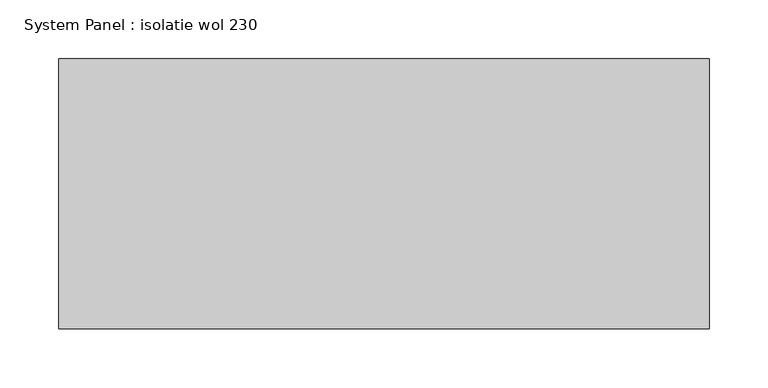
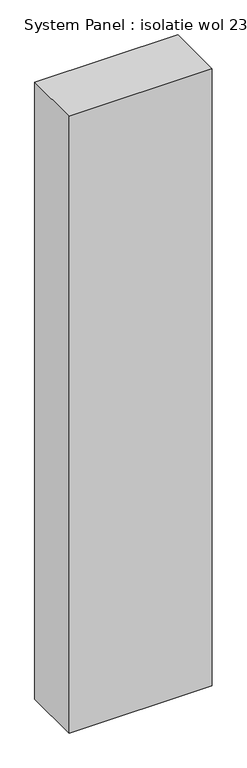
"""IFC4 building model written with IfcOpenShell, lengths in millimetres: plate geometry, System Panel : isolatie wol 230."""

from ifc_helpers import new_model, si_unit, origin, origin_with_axes, place, context, project, spatial, polyline, outline, extrude, source, transform, mapped, element, save


def system_panel_isolatie_wol_230_b3b28cec(model_context):
    return source(origin(), model_context, "Body", "SweptSolid", [
        extrude(outline(polyline([(277.2000001, 0.0), (-277.2000001, 0.0), (-277.2000001, 230.0), (277.2000001, 230.0), (277.2000001, 0.0)])), origin_with_axes(), (0.0, 0.0, 1.0), 2524.0),
    ])


if __name__ == "__main__":
    model = new_model("IFC4")
    model_context = context("Model", 3, world=origin())
    ifc_project = project(units=[si_unit("LENGTHUNIT", "METRE", prefix="MILLI")], contexts=[model_context])
    site = spatial("IfcSite", under=ifc_project)
    building = spatial("IfcBuilding", under=site)
    placement = place(None, origin())
    system_panel_isolatie_wol_230_shape = system_panel_isolatie_wol_230_b3b28cec(model_context)
    element("IfcPlate", 1, ObjectType="System Panel : isolatie wol 230", at=placement, inside=building, context=model_context, shape_type="MappedRepresentation", body=[
        mapped(system_panel_isolatie_wol_230_shape, transform((0.0, 0.0, 0.0), x_axis=(1.0, 0.0, 0.0), y_axis=(0.0, 1.0, 0.0), z_axis=(0.0, 0.0, 1.0))),
    ])
    save(model, "model.ifc")
